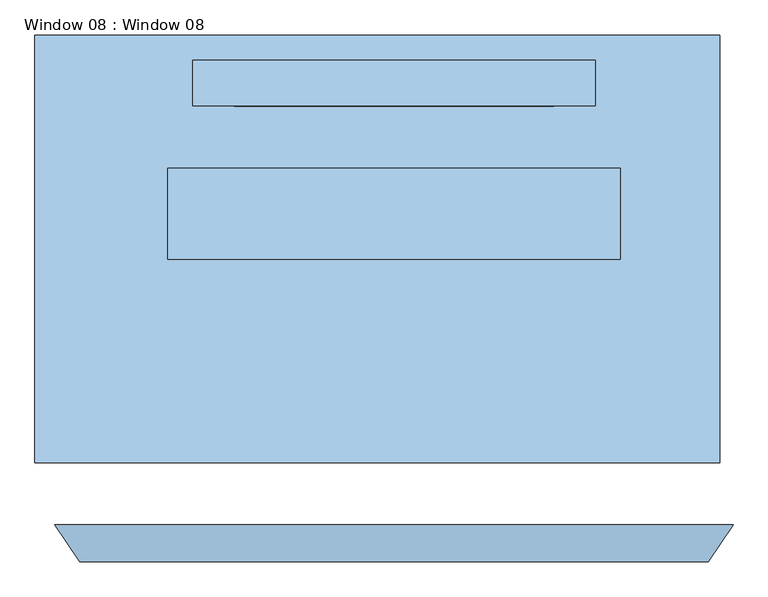
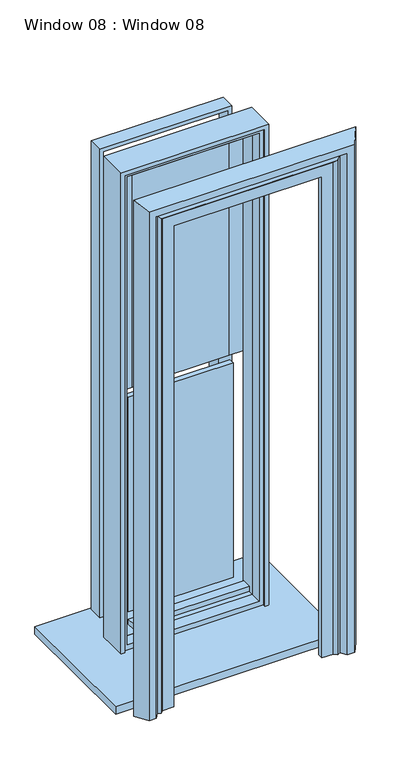
"""IFC4 building model written with IfcOpenShell, lengths in millimetres: window geometry, Window 08 : Window 08."""

from ifc_helpers import new_model, si_unit, frame, origin, place, context, project, spatial, polyline, outline, extrude, faceted_brep, source, transform, mapped, element, save


def window_08_window_08_5faf4fcf(model_context):
    return source(origin(), model_context, "Body", "SolidModel", [
        extrude(outline(polyline([(247.381109, 31.3168053), (-247.381109, 31.3168053), (-247.381109, 88.392), (247.381109, 88.392), (247.381109, 31.3168053)])), frame((0.0, 0.0, 3236.4157824), z_axis=(0.0, 0.0, 1.0), x_axis=(1.0, 0.0, 0.0)), (0.0, 0.0, 1.0), 25.4),
        extrude(outline(polyline([(270.0023985, -23.2302785), (-270.0023985, -23.2302785), (-270.0023985, 18.5555483), (270.0023985, 18.5555483), (270.0023985, -23.2302785)])), frame((0.0, 0.0, 1031.4152912), z_axis=(0.0, 0.0, 1.0), x_axis=(1.0, 0.0, 0.0)), (0.0, 0.0, 1.0), 25.4),
        extrude(outline(polyline([(498.602, -361.95), (-549.402, -361.95), (-549.402, 292.1), (498.602, 292.1), (498.602, -361.95)])), frame((0.0, 0.0, 914.4), z_axis=(0.0, 0.0, 1.0), x_axis=(1.0, 0.0, 0.0)), (0.0, 0.0, 1.0), 38.1),
        extrude(outline(polyline([(244.6023985, 63.0055483), (-244.6023985, 63.0055483), (-244.6023985, 88.392), (244.6023985, 88.392), (244.6023985, 63.0055483)])), frame((0.0, 0.0, 1056.8152912), z_axis=(0.0, 0.0, 1.0), x_axis=(1.0, 0.0, 0.0)), (0.0, 0.0, 1.0), 1060.45),
        extrude(outline(polyline([(225.5523985, 63.0055483), (-225.5523985, 63.0055483), (-225.5523985, 88.392), (225.5523985, 88.392), (225.5523985, 63.0055483)])), frame((0.0, 0.0, 2161.7152912), z_axis=(0.0, 0.0, 1.0), x_axis=(1.0, 0.0, 0.0)), (0.0, 0.0, 1.0), 1054.1),
        extrude(outline(polyline([(3272.9652912, 289.0523985), (3272.9652912, -289.0523985), (2161.7152912, -289.0523985), (2161.7152912, -225.5523985), (3215.8152912, -225.5523985), (3215.8152912, 225.5523985), (2161.7152912, 225.5523985), (2161.7152912, 289.0523985), (3272.9652912, 289.0523985)])), frame((0.0, 63.0055483, 0.0), z_axis=(0.0, 1.0, 0.0), x_axis=(0.0, 0.0, 1.0)), (0.0, 0.0, 1.0), 25.3864517),
        extrude(outline(polyline([(3292.0152912, 308.1023985), (3292.0152912, -308.1023985), (977.9, -308.1023985), (977.9, 308.1023985), (3292.0152912, 308.1023985)]), holes=[polyline([(3272.9652912, 289.0523985), (2161.7152912, 289.0523985), (2161.7152912, -289.0523985), (3272.9652912, -289.0523985), (3272.9652912, 289.0523985)]), polyline([(2117.2652912, 244.6023985), (1056.8152912, 244.6023985), (1056.8152912, -244.6023985), (2117.2652912, -244.6023985), (2117.2652912, 244.6023985)])]), frame((0.0, 183.6555483, 0.0), z_axis=(0.0, 1.0, 0.0), x_axis=(0.0, 0.0, 1.0)), (0.0, 0.0, 1.0), 69.8364517),
        extrude(outline(polyline([(952.5, 327.1523985), (3311.0652912, 327.1523985), (3311.0652912, -327.1523985), (952.5, -327.1523985), (952.5, 327.1523985)]), holes=[polyline([(3292.0152912, 308.1023985), (977.9, 308.1023985), (977.9, -308.1023985), (3292.0152912, -308.1023985), (3292.0152912, 308.1023985)])]), frame((0.0, 18.5555483, 0.0), z_axis=(0.0, 1.0, 0.0), x_axis=(0.0, 0.0, 1.0)), (0.0, 0.0, 1.0), 69.8364517),
        extrude(outline(polyline([(3311.0652912, 327.1523985), (3311.0652912, -327.1523985), (952.5, -327.1523985), (952.5, 327.1523985), (3311.0652912, 327.1523985)]), holes=[polyline([(3292.0152912, 308.1023985), (977.9, 308.1023985), (977.9, -308.1023985), (3292.0152912, -308.1023985), (3292.0152912, 308.1023985)])]), frame((0.0, -38.5944517, 0.0), z_axis=(0.0, 1.0, 0.0), x_axis=(0.0, 0.0, 1.0)), (0.0, 0.0, 1.0), 126.9864517),
        extrude(outline(polyline([(952.5, -346.202), (952.5, -327.1523985), (3311.0652912, -327.1523985), (3311.0652912, 327.1523985), (952.5, 327.1523985), (952.5, 346.202), (3330.194, 346.202), (3330.194, -346.202), (952.5, -346.202)])), frame((0.0, -51.2944517, 0.0), z_axis=(0.0, 1.0, 0.0), x_axis=(0.0, 0.0, 1.0)), (0.0, 0.0, 1.0), 139.6864517),
        faceted_brep([(518.8193887, -457.2, 952.5), (481.1398113, -513.8979492, 952.5), (446.6766197, -513.8979492, 952.5), (426.7397483, -487.3641439, 952.5), (412.5761356, -493.1150403, 952.5), (399.3696242, -480.3976797, 952.5), (346.202, -480.3976797, 952.5), (346.202, -457.2, 952.5), (518.8193887, -457.2, 3502.8113887), (481.1398113, -513.8979492, 3465.1318113), (-481.1398113, -513.8979492, 3465.1318113), (-481.1398113, -513.8979492, 952.5), (-446.6766197, -513.8979492, 952.5), (-446.6766197, -513.8979492, 3430.6686197), (446.6766197, -513.8979492, 3430.6686197), (426.7397483, -487.3641439, 3410.7317483), (412.5761356, -493.1150403, 3396.5681356), (399.3696242, -480.3976797, 3383.3616242), (-399.3696242, -480.3976797, 3383.3616242), (-399.3696242, -480.3976797, 952.5), (-346.202, -480.3976797, 952.5), (-346.202, -480.3976797, 3330.194), (346.202, -480.3976797, 3330.194), (346.202, -457.2, 3330.194), (-346.202, -457.2, 3330.194), (-346.202, -457.2, 952.5), (-518.8193887, -457.2, 952.5), (-518.8193887, -457.2, 3502.8113887), (-412.5761356, -493.1150403, 952.5), (-426.7397483, -487.3641439, 952.5), (-412.5761356, -493.1150403, 3396.5681356), (-426.7397483, -487.3641439, 3410.7317483)], [[[0, 1, 2, 3, 4, 5, 6, 7]], [[1, 0, 8, 9]], [[2, 1, 9, 10, 11, 12, 13, 14]], [[3, 2, 14, 15]], [[4, 3, 15, 16]], [[5, 4, 16, 17]], [[6, 5, 17, 18, 19, 20, 21, 22]], [[7, 6, 22, 23]], [[0, 7, 23, 24, 25, 26, 27, 8]], [[26, 25, 20, 19, 28, 29, 12, 11]], [[24, 21, 20, 25]], [[18, 30, 28, 19]], [[30, 31, 29, 28]], [[31, 13, 12, 29]], [[10, 27, 26, 11]], [[17, 16, 30, 18]], [[23, 22, 21, 24]], [[16, 15, 31, 30]], [[15, 14, 13, 31]], [[9, 8, 27, 10]]]),
    ])


if __name__ == "__main__":
    model = new_model("IFC4")
    model_context = context("Model", 3, world=origin())
    ifc_project = project(units=[si_unit("LENGTHUNIT", "METRE", prefix="MILLI")], contexts=[model_context])
    site = spatial("IfcSite", under=ifc_project)
    building = spatial("IfcBuilding", under=site)
    placement = place(None, origin())
    window_08_window_08_shape = window_08_window_08_5faf4fcf(model_context)
    element("IfcWindow", 1, ObjectType="Window 08 : Window 08", at=placement, inside=building, context=model_context, shape_type="MappedRepresentation", body=[
        mapped(window_08_window_08_shape, transform((0.0, 0.0, 0.0), x_axis=(1.0, 0.0, 0.0), y_axis=(0.0, 1.0, 0.0), z_axis=(0.0, 0.0, 1.0))),
    ])
    save(model, "model.ifc")
